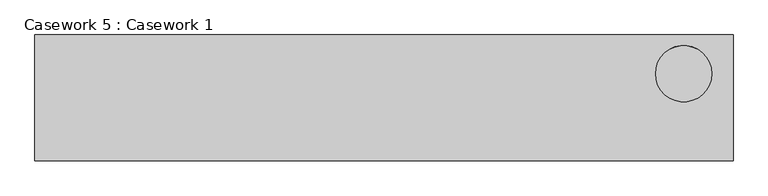
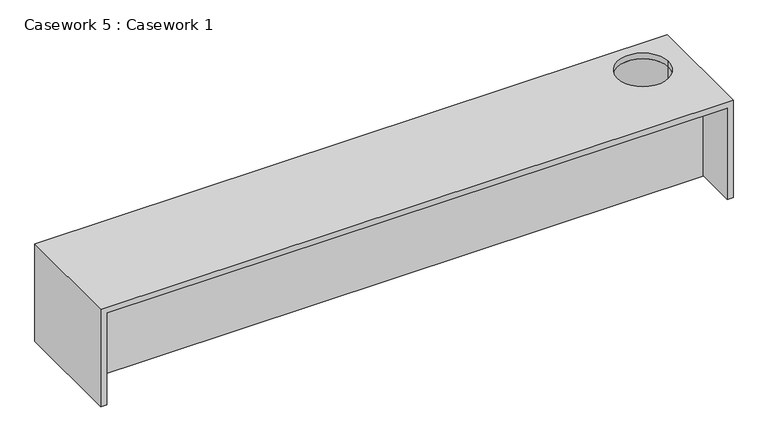
"""IFC4 building model written with IfcOpenShell, lengths in millimetres: furniture geometry, Casework 5 : Casework 1."""

from ifc_helpers import new_model, si_unit, frame, origin, place, context, project, spatial, polyline, circle_curve, source, transform, mapped, element, save
from ifc_brep_helpers import plane_surface, revolved_surface, advanced_brep


def casework_5_casework_1_e86ecdaa(model_context):
    return source(origin(), model_context, "Body", "AdvancedBrep", [
        advanced_brep(
        [(100676.4549398, -32673.4625973, 68800.0), (100676.4549398, -32073.4625973, 68800.0), (95562.9696444, -32073.4625973, 68800.0), (95562.9696444, -32673.4625973, 68800.0), (100567.2657277, -32363.4625973, 68800.0), (100147.2657277, -32363.4625973, 68800.0), (100676.4549398, -32673.4625973, 68000.0), (95562.9696444, -32673.4625973, 68000.0), (95562.9696444, -32073.4625973, 68000.0), (100676.4549398, -32073.4625973, 68000.0), (100147.2657277, -32363.4625973, 68330.1232502), (100567.2657277, -32363.4625973, 68330.1232502)],
        [
            (0, 1),
            (1, 2),
            (2, 3),
            (3, 0),
            (4, 5, circle_curve(frame((100357.2657277, -32363.4625973, 68800.0), z_axis=(0.0, 0.0, -1.0), x_axis=(1.0, 0.0, 0.0)), 210.0)),
            (5, 4, circle_curve(frame((100357.2657277, -32363.4625973, 68800.0), z_axis=(0.0, 0.0, -1.0), x_axis=(1.0, 0.0, 0.0)), 210.0)),
            (6, 7),
            (7, 8),
            (8, 9),
            (9, 6),
            (0, 6),
            (9, 1),
            (8, 2),
            (7, 3),
            (10, 11, circle_curve(frame((100357.2657277, -32363.4625973, 68330.1232502), z_axis=(0.0, 0.0, 1.0), x_axis=(1.0, 0.0, 0.0)), 210.0)),
            (11, 10, circle_curve(frame((100357.2657277, -32363.4625973, 68330.1232502), z_axis=(0.0, 0.0, 1.0), x_axis=(1.0, 0.0, 0.0)), 210.0)),
            (10, 5),
            (4, 11),
        ],
        [
            plane_surface(frame((100676.4549398, -30563.5493386, 68800.0), z_axis=(0.0, 0.0, 1.0), x_axis=(0.0, 1.0, 0.0))),
            plane_surface(frame((100676.4549398, -30563.5493386, 68000.0), z_axis=(0.0, 0.0, -1.0), x_axis=(0.0, -1.0, 0.0))),
            plane_surface(frame((100676.4549398, -32673.4625973, 68800.0), z_axis=(1.0, 0.0, 0.0), x_axis=(0.0, 0.0, -1.0))),
            plane_surface(frame((100676.4549398, -32073.4625973, 68800.0), z_axis=(0.0, 1.0, 0.0), x_axis=(0.0, 0.0, -1.0))),
            plane_surface(frame((95562.9696444, -32073.4625973, 68800.0), z_axis=(-1.0, 0.0, 0.0), x_axis=(0.0, 0.0, -1.0))),
            plane_surface(frame((95562.9696444, -32673.4625973, 68800.0), z_axis=(0.0, -1.0, 0.0), x_axis=(0.0, 0.0, -1.0))),
            plane_surface(frame((100567.2657277, -32363.4625973, 68330.1232502), z_axis=(0.0, 0.0, 1.0), x_axis=(0.0, -1.0, 0.0))),
            revolved_surface(polyline([(100567.2657277, -32363.4625973, 68800.0), (100567.2657277, -32363.4625973, 68330.1232502)]), (100357.2657277, -32363.4625973, 68330.1232502), (0.0, 0.0, 1.0)),
        ],
        [
            (0, [[1, 2, 3, 4], [5, 6]]),
            (1, [[7, 8, 9, 10]]),
            (2, [[-1, 11, -10, 12]]),
            (3, [[-2, -12, -9, 13]]),
            (4, [[-3, -13, -8, 14]]),
            (5, [[-4, -14, -7, -11]]),
            (6, [[15, 16]]),
            (7, [[-15, 17, -5, 18]]),
            (7, [[-16, -18, -6, -17]]),
        ],
    ),
        advanced_brep(
        [(100676.4549398, -33013.4625973, 68000.0), (100676.4549398, -32073.4625973, 68000.0), (100726.4549398, -32073.4625973, 68000.0), (100726.4549398, -33013.4625973, 68000.0), (100676.4549398, -33013.4625973, 68800.0), (100676.4549398, -32073.4625973, 68800.0), (95512.9696444, -33013.4625973, 68850.0), (95512.9696444, -32073.4625973, 68850.0), (95512.9696444, -32073.4625973, 68000.0), (95512.9696444, -33013.4625973, 68000.0), (100726.4549398, -33013.4625973, 68850.0), (100726.4549398, -32073.4625973, 68850.0), (100567.2657277, -32363.4625973, 68850.0), (100147.2657277, -32363.4625973, 68850.0), (95562.9696444, -33013.4625973, 68800.0), (95562.9696444, -32073.4625973, 68800.0), (100147.2657277, -32363.4625973, 68800.0), (100567.2657277, -32363.4625973, 68800.0), (95562.9696444, -32073.4625973, 68000.0), (95562.9696444, -33013.4625973, 68000.0)],
        [
            (0, 1),
            (1, 2),
            (2, 3),
            (3, 0),
            (0, 4),
            (4, 5),
            (5, 1),
            (6, 7),
            (7, 8),
            (8, 9),
            (9, 6),
            (6, 10),
            (10, 11),
            (11, 7),
            (12, 13, circle_curve(frame((100357.2657277, -32363.4625973, 68850.0), z_axis=(0.0, 0.0, -1.0), x_axis=(1.0, 0.0, 0.0)), 210.0)),
            (13, 12, circle_curve(frame((100357.2657277, -32363.4625973, 68850.0), z_axis=(0.0, 0.0, -1.0), x_axis=(1.0, 0.0, 0.0)), 210.0)),
            (4, 14),
            (14, 15),
            (15, 5),
            (16, 17, circle_curve(frame((100357.2657277, -32363.4625973, 68800.0), z_axis=(0.0, 0.0, 1.0), x_axis=(1.0, 0.0, 0.0)), 210.0)),
            (17, 16, circle_curve(frame((100357.2657277, -32363.4625973, 68800.0), z_axis=(0.0, 0.0, 1.0), x_axis=(1.0, 0.0, 0.0)), 210.0)),
            (8, 18),
            (18, 19),
            (19, 9),
            (18, 15),
            (14, 19),
            (10, 3),
            (2, 11),
            (16, 13),
            (12, 17),
        ],
        [
            plane_surface(frame((100676.4549398, -32073.4625973, 68000.0), z_axis=(0.0, 0.0, -1.0), x_axis=(0.0, 1.0, 0.0))),
            plane_surface(frame((100676.4549398, -33013.4625973, 68000.0), z_axis=(-1.0, 0.0, 0.0), x_axis=(0.0, 0.0, 1.0))),
            plane_surface(frame((95512.9696444, -32073.4625973, 68800.0), z_axis=(-1.0, 0.0, 0.0), x_axis=(0.0, 0.0, -1.0))),
            plane_surface(frame((100726.4549398, -32073.4625973, 68850.0), z_axis=(0.0, 0.0, 1.0), x_axis=(-1.0, 0.0, 0.0))),
            plane_surface(frame((100726.4549398, -33013.4625973, 68800.0), z_axis=(0.0, 0.0, -1.0), x_axis=(-1.0, 0.0, 0.0))),
            plane_surface(frame((95512.9696444, -32073.4625973, 68000.0), z_axis=(0.0, 0.0, -1.0), x_axis=(0.0, 1.0, 0.0))),
            plane_surface(frame((95562.9696444, -32073.4625973, 68000.0), z_axis=(1.0, 0.0, 0.0), x_axis=(0.0, 0.0, 1.0))),
            plane_surface(frame((100726.4549398, -32073.4625973, 68800.0), z_axis=(1.0, 0.0, 0.0), x_axis=(0.0, 0.0, 1.0))),
            plane_surface(frame((100726.4549398, -32073.4625973, 68800.0), z_axis=(0.0, 1.0, 0.0), x_axis=(-1.0, 0.0, 0.0))),
            plane_surface(frame((100726.4549398, -33013.4625973, 68850.0), z_axis=(0.0, -1.0, 0.0), x_axis=(-1.0, 0.0, 0.0))),
            revolved_surface(polyline([(100567.2657277, -32363.4625973, 68850.0), (100567.2657277, -32363.4625973, 68800.0)]), (100357.2657277, -32363.4625973, 68330.1232502), (0.0, 0.0, 1.0)),
        ],
        [
            (0, [[1, 2, 3, 4]]),
            (1, [[-1, 5, 6, 7]]),
            (2, [[8, 9, 10, 11]]),
            (3, [[-8, 12, 13, 14], [15, 16]]),
            (4, [[-6, 17, 18, 19], [20, 21]]),
            (5, [[-10, 22, 23, 24]]),
            (6, [[-23, 25, -18, 26]]),
            (7, [[-13, 27, -3, 28]]),
            (8, [[-9, -14, -28, -2, -7, -19, -25, -22]]),
            (9, [[-11, -24, -26, -17, -5, -4, -27, -12]]),
            (10, [[29, -15, 30, -20]]),
            (10, [[-29, -21, -30, -16]]),
        ],
    ),
    ])


if __name__ == "__main__":
    model = new_model("IFC4")
    model_context = context("Model", 3, world=origin())
    ifc_project = project(units=[si_unit("LENGTHUNIT", "METRE", prefix="MILLI")], contexts=[model_context])
    site = spatial("IfcSite", under=ifc_project)
    building = spatial("IfcBuilding", under=site)
    placement = place(None, origin())
    casework_5_casework_1_shape = casework_5_casework_1_e86ecdaa(model_context)
    element("IfcFurniture", 1, ObjectType="Casework 5 : Casework 1", at=placement, inside=building, context=model_context, shape_type="MappedRepresentation", body=[
        mapped(casework_5_casework_1_shape, transform((0.0, 0.0, 0.0), x_axis=(1.0, 0.0, 0.0), y_axis=(0.0, 1.0, 0.0), z_axis=(0.0, 0.0, 1.0))),
    ])
    save(model, "model.ifc")
